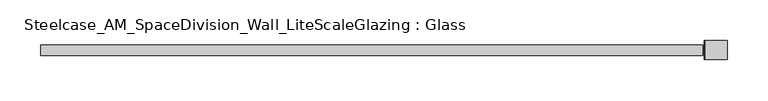
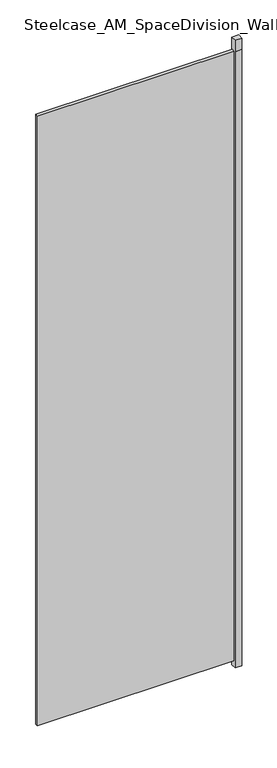
"""IFC4 building model written with IfcOpenShell, lengths in millimetres: plate geometry, Steelcase_AM_SpaceDivision_Wall_LiteScaleGlazing : Glass."""

import ifcopenshell
import ifcopenshell.guid

model = None  # the IFC model being written
_history = None  # IfcOwnerHistory: only IFC2X3 demands one
_inside = {}  # id of a spatial element -> (the spatial element, [elements in it])
_under = {}  # id of a project, library or spatial element -> (it, [spatial elements below it])
_declared = {}  # id of a project -> (the project, [libraries it declares])
_typed = {}  # id of a type object -> (the type object, [elements of that type])
_made_of = {}  # id of a material, layer set ... -> (it, [elements and type objects made of it])


def new_model(schema):
    """Start an empty IFC model of exactly this schema.

    Asked for "IFC4X3", IfcOpenShell would pick the latest addendum, in which some entities
    have other attributes; the version numbers below select the first issue.
    IFC2X3 requires an IfcOwnerHistory on every rooted entity: one is made here for all.
    """
    global model, _history
    if schema == "IFC4X3":
        model = ifcopenshell.file(schema_version=(4, 3, 0, 0))
    else:
        model = ifcopenshell.file(schema=schema)
    _inside.clear()
    _under.clear()
    _declared.clear()
    _typed.clear()
    _made_of.clear()
    _history = None
    if model.schema == "IFC2X3":
        org = make("IfcOrganization", Name="unknown")
        user = make(
            "IfcPersonAndOrganization",
            ThePerson=make("IfcPerson", FamilyName="unknown"),
            TheOrganization=org,
        )
        app = make(
            "IfcApplication",
            ApplicationDeveloper=org,
            Version="unknown",
            ApplicationFullName="unknown",
            ApplicationIdentifier="unknown",
        )
        _history = make(
            "IfcOwnerHistory",
            OwningUser=user,
            OwningApplication=app,
            ChangeAction="ADDED",
            CreationDate=0,
        )
    return model


def make(cls, **values):
    """One entity of the class cls with the attributes given. An attribute that is None is left unset."""
    return model.create_entity(
        cls, **{name: value for name, value in values.items() if value is not None}
    )


def rooted(cls, **values):
    """An entity with a GlobalId (a new one), such as an element, a storey or a relation."""
    return make(cls, GlobalId=ifcopenshell.guid.new(), OwnerHistory=_history, **values)


def si_unit(unit_type, name, prefix=None):
    """IfcSIUnit, for example si_unit("LENGTHUNIT", "METRE", prefix="MILLI")."""
    return make("IfcSIUnit", UnitType=unit_type, Prefix=prefix, Name=name)


def assignment(units):
    """IfcUnitAssignment: the units of a project."""
    return None if units is None else make("IfcUnitAssignment", Units=units)


def point(xyz):
    """IfcCartesianPoint."""
    return None if xyz is None else make("IfcCartesianPoint", Coordinates=xyz)


def direction(xyz):
    """IfcDirection."""
    return None if xyz is None else make("IfcDirection", DirectionRatios=xyz)


def frame(location, z_axis=None, x_axis=None):
    """IfcAxis2Placement3D, a coordinate frame: its origin and axes. An axis left out is left unset."""
    return make(
        "IfcAxis2Placement3D",
        Location=point(location),
        Axis=direction(z_axis),
        RefDirection=direction(x_axis),
    )


def origin():
    """The frame at (0, 0, 0) with its axes left unset."""
    return frame((0.0, 0.0, 0.0))


def origin_with_axes():
    """The frame at (0, 0, 0) with the z axis (0, 0, 1) and the x axis (1, 0, 0) written out."""
    return frame((0.0, 0.0, 0.0), z_axis=(0.0, 0.0, 1.0), x_axis=(1.0, 0.0, 0.0))


def place(relative_to, where):
    """IfcLocalPlacement: puts the frame where relative to a parent placement (None: the world)."""
    return make(
        "IfcLocalPlacement", PlacementRelTo=relative_to, RelativePlacement=where
    )


def context(
    kind, dimensions, precision=None, world=None, true_north=None, identifier=None
):
    """IfcGeometricRepresentationContext, for example the 3D "Model" context."""
    return make(
        "IfcGeometricRepresentationContext",
        ContextIdentifier=identifier,
        ContextType=kind,
        CoordinateSpaceDimension=dimensions,
        Precision=precision,
        WorldCoordinateSystem=world,
        TrueNorth=true_north,
    )


def project(units=None, contexts=None):
    """IfcProject with its units and contexts."""
    return rooted(
        "IfcProject",
        Name="project",
        RepresentationContexts=contexts,
        UnitsInContext=assignment(units),
    )


def spatial(cls, under=None, at=None, **own):
    """A site, building, storey or space (cls), placed at a placement, below another one or the project."""
    s = rooted(cls, ObjectPlacement=at, **own)
    if under is not None:
        _under.setdefault(under.id(), (under, []))[1].append(s)
    return s


def polyline(points):
    """IfcPolyline through the points."""
    return make("IfcPolyline", Points=[point(p) for p in points])


def outline(outer, holes=None, kind="AREA"):
    """IfcArbitraryClosedProfileDef: a profile drawn as a closed curve; with holes, ...WithVoids."""
    if holes is None:
        return make("IfcArbitraryClosedProfileDef", ProfileType=kind, OuterCurve=outer)
    return make(
        "IfcArbitraryProfileDefWithVoids",
        ProfileType=kind,
        OuterCurve=outer,
        InnerCurves=holes,
    )


def extrude(swept, where, along, depth):
    """IfcExtrudedAreaSolid: the profile swept, set in the frame where, extruded along a direction by depth."""
    return make(
        "IfcExtrudedAreaSolid",
        SweptArea=swept,
        Position=where,
        ExtrudedDirection=direction(along),
        Depth=depth,
    )


def shape(context_of_items, identifier, shape_type, items):
    """IfcShapeRepresentation: the items that make up one representation, for example the "Body"."""
    return make(
        "IfcShapeRepresentation",
        ContextOfItems=context_of_items,
        RepresentationIdentifier=identifier,
        RepresentationType=shape_type,
        Items=items,
    )


def source(mapping_origin, context_of_items, identifier, shape_type, items):
    """IfcRepresentationMap: a shape defined once, which mapped items show again and again."""
    return make(
        "IfcRepresentationMap",
        MappingOrigin=mapping_origin,
        MappedRepresentation=shape(context_of_items, identifier, shape_type, items),
    )


def transform(
    local_origin,
    x_axis=None,
    y_axis=None,
    z_axis=None,
    scale=None,
    scale2=None,
    scale3=None,
    uniform=True,
):
    """IfcCartesianTransformationOperator3D, or its non-uniform kind. x_axis, y_axis, z_axis: its Axis1, 2, 3."""
    if uniform:
        return make(
            "IfcCartesianTransformationOperator3D",
            Axis1=direction(x_axis),
            Axis2=direction(y_axis),
            LocalOrigin=point(local_origin),
            Scale=scale,
            Axis3=direction(z_axis),
        )
    return make(
        "IfcCartesianTransformationOperator3DnonUniform",
        Axis1=direction(x_axis),
        Axis2=direction(y_axis),
        LocalOrigin=point(local_origin),
        Scale=scale,
        Axis3=direction(z_axis),
        Scale2=scale2,
        Scale3=scale3,
    )


def mapped(mapping_source, mapping_target):
    """IfcMappedItem: shows the shape of a source again, moved by a transform."""
    return make(
        "IfcMappedItem", MappingSource=mapping_source, MappingTarget=mapping_target
    )


def made_of(thing, what):
    """Note that an element or type object is made of a material, layer set ...; save() writes the relation."""
    if what is not None:
        _made_of.setdefault(what.id(), (what, []))[1].append(thing)
    return thing


def element(
    cls,
    number,
    at=None,
    inside=None,
    cuts=None,
    type_object=None,
    material=None,
    context=None,
    identifier="Body",
    shape_type=None,
    held_by="IfcProductDefinitionShape",
    body=None,
    shapes=None,
    **own,
):
    """One element of the class cls, such as IfcWall. Its Tag is "e" and its number.

    at: its placement. inside: the storey or other place that contains it. cuts: it is an
    opening in that element (IfcRelVoidsElement). A single representation is given by context,
    identifier, shape_type and body (its items); several are given by shapes. held_by: the class
    of the entity that holds the representations. save() writes the other relations.
    """
    e = rooted(cls, Tag="e%d" % number, ObjectPlacement=at, **own)
    if body is not None:
        shapes = [shape(context, identifier, shape_type, body)]
    if shapes is not None:
        e.Representation = make(held_by, Representations=shapes)
    if inside is not None:
        _inside.setdefault(inside.id(), (inside, []))[1].append(e)
    if cuts is not None:
        rooted(
            "IfcRelVoidsElement", RelatingBuildingElement=cuts, RelatedOpeningElement=e
        )
    if type_object is not None:
        _typed.setdefault(type_object.id(), (type_object, []))[1].append(e)
    return made_of(e, material)


def aggregate(whole, parts):
    """IfcRelAggregates: a whole, such as a stair, and the parts it consists of."""
    return rooted("IfcRelAggregates", RelatingObject=whole, RelatedObjects=parts)


def save(model, path):
    """Write the relations noted so far, then the file.

    IfcRelAggregates (storeys below a building ...), IfcRelContainedInSpatialStructure (elements
    in a storey), IfcRelDefinesByType, IfcRelAssociatesMaterial and IfcRelDeclares: one each for
    every whole, place, type object, material and project.
    """
    for whole, parts in _under.values():
        aggregate(whole, parts)
    for where, things in _inside.values():
        rooted(
            "IfcRelContainedInSpatialStructure",
            RelatedElements=things,
            RelatingStructure=where,
        )
    for kind, things in _typed.values():
        rooted("IfcRelDefinesByType", RelatedObjects=things, RelatingType=kind)
    for what, things in _made_of.values():
        rooted("IfcRelAssociatesMaterial", RelatedObjects=things, RelatingMaterial=what)
    for by, libraries in _declared.values():
        rooted("IfcRelDeclares", RelatingContext=by, RelatedDefinitions=libraries)
    model.write(path)


def steelcase_am_spacedivision_wall_litescaleglazing_glass_a501470f(model_context):
    return source(origin(), model_context, "Body", "SweptSolid", [
        extrude(outline(polyline([(409.0064304, 11.7474777), (435.9938971, 11.7474777), (435.9938971, -11.7475002), (409.0064304, -11.7475002), (409.0064304, 11.7474777)])), frame((0.0, 0.0, 2665.984), z_axis=(0.0, 0.0, 1.0), x_axis=(1.0, 0.0, 0.0)), (0.0, 0.0, 1.0), 49.276),
        extrude(outline(polyline([(435.9938971, 11.7474777), (435.9938971, -11.7475002), (409.0064304, -11.7475002), (409.0064304, -6.3896792), (431.5016722, -6.3896792), (431.5016722, 6.3500051), (409.0064304, 6.3500051), (409.0064304, 11.7474777), (435.9938971, 11.7474777)])), frame((0.0, 0.0, -27.8638004), z_axis=(0.0, 0.0, 1.0), x_axis=(1.0, 0.0, 0.0)), (0.0, 0.0, 1.0), 2693.8478004),
        extrude(outline(polyline([(409.0064304, 11.7474777), (409.0064304, -11.7474954), (407.9777014, -11.7474954), (407.9777014, 11.7474777), (409.0064304, 11.7474777)])), frame((0.0, 0.0, -27.8638004), z_axis=(0.0, 0.0, 1.0), x_axis=(1.0, 0.0, 0.0)), (0.0, 0.0, 1.0), 2743.1238004),
        extrude(outline(polyline([(-405.9457014, -6.349956), (-405.9457014, 6.3502015), (405.9457014, 6.3502015), (405.9457014, -6.349956), (-405.9457014, -6.349956)])), origin_with_axes(), (0.0, 0.0, 1.0), 2665.984),
    ])


if __name__ == "__main__":
    model = new_model("IFC4")
    model_context = context("Model", 3, world=origin())
    ifc_project = project(units=[si_unit("LENGTHUNIT", "METRE", prefix="MILLI")], contexts=[model_context])
    site = spatial("IfcSite", under=ifc_project)
    building = spatial("IfcBuilding", under=site)
    placement = place(None, origin())
    steelcase_am_spacedivision_wall_litescaleglazing_glass_shape = steelcase_am_spacedivision_wall_litescaleglazing_glass_a501470f(model_context)
    element("IfcPlate", 1, ObjectType="Steelcase_AM_SpaceDivision_Wall_LiteScaleGlazing : Glass", at=placement, inside=building, context=model_context, shape_type="MappedRepresentation", body=[
        mapped(steelcase_am_spacedivision_wall_litescaleglazing_glass_shape, transform((0.0, 0.0, 0.0), x_axis=(1.0, 0.0, 0.0), y_axis=(0.0, 1.0, 0.0), z_axis=(0.0, 0.0, 1.0))),
    ])
    save(model, "model.ifc")
